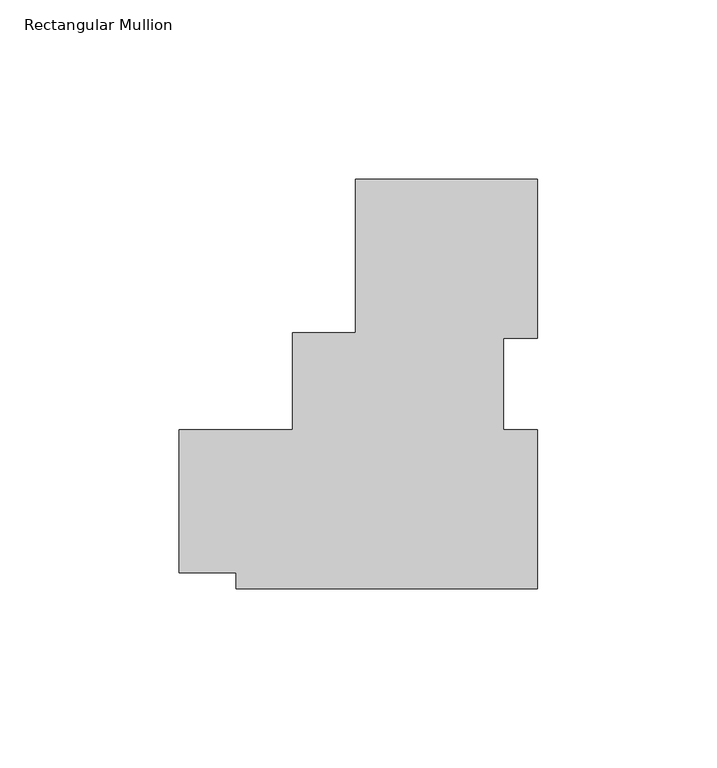
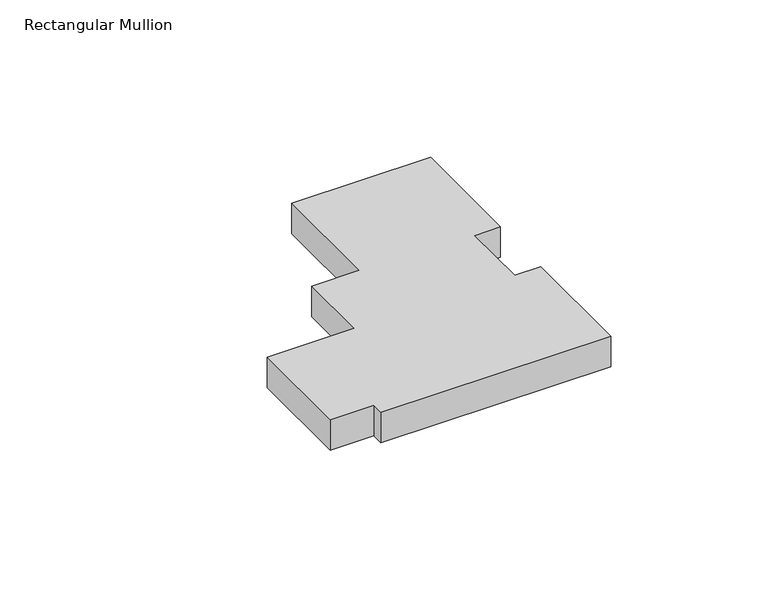
"""IFC4 building model written with IfcOpenShell, lengths in millimetres: member geometry, Rectangular Mullion."""

from ifc_helpers import new_model, si_unit, frame, origin, place, context, project, spatial, polyline, outline, extrude, source, transform, mapped, element, save


def rectangular_mullion_a91e34a7(model_context):
    return source(origin(), model_context, "Body", "SweptSolid", [
        extrude(outline(polyline([(-27.432, 49.9618), (23.368, 49.9618), (23.368, 5.5593731), (13.843, 5.5593731), (13.843, -19.9283252), (23.368, -19.9283252), (23.368, -64.3555885), (-60.8808106, -64.3555885), (-60.8808106, -59.9007985), (-76.754901, -59.9007985), (-76.754901, -19.895693), (-45.0067311, -19.895693), (-45.0067311, 7.0993), (-27.432, 7.0993), (-27.432, 49.9618)])), frame((0.0, 0.0, -11.8413835), z_axis=(0.0, 0.0, 1.0), x_axis=(1.0, 0.0, 0.0)), (0.0, 0.0, 1.0), 11.8413835),
    ])


if __name__ == "__main__":
    model = new_model("IFC4")
    model_context = context("Model", 3, world=origin())
    ifc_project = project(units=[si_unit("LENGTHUNIT", "METRE", prefix="MILLI")], contexts=[model_context])
    site = spatial("IfcSite", under=ifc_project)
    building = spatial("IfcBuilding", under=site)
    placement = place(None, origin())
    rectangular_mullion_shape = rectangular_mullion_a91e34a7(model_context)
    element("IfcMember", 1, ObjectType="Rectangular Mullion", at=placement, inside=building, context=model_context, shape_type="MappedRepresentation", body=[
        mapped(rectangular_mullion_shape, transform((0.0, 0.0, 0.0), x_axis=(1.0, 0.0, 0.0), y_axis=(0.0, 1.0, 0.0), z_axis=(0.0, 0.0, 1.0))),
    ])
    save(model, "model.ifc")
